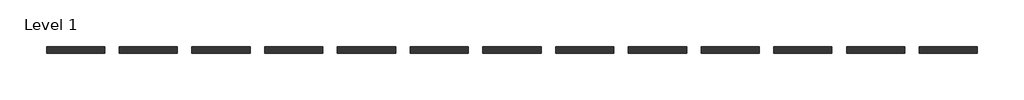
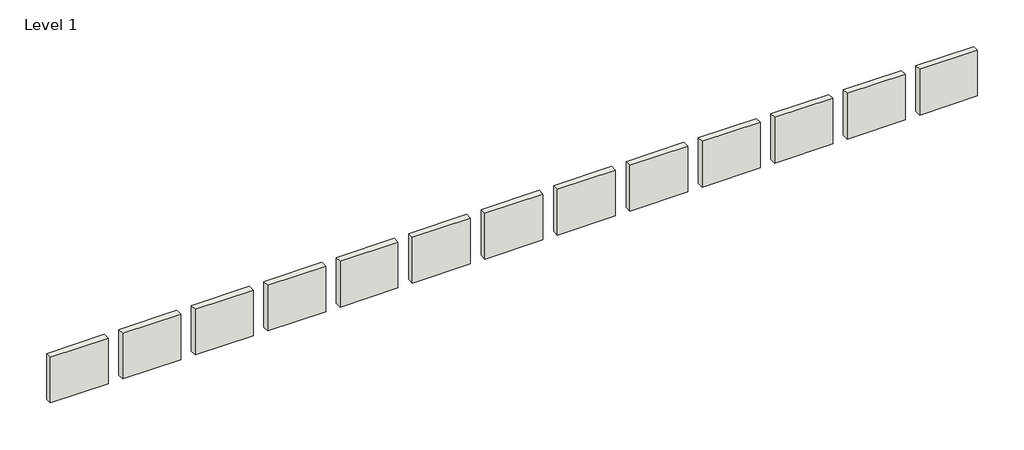
# One storey: 13 walls.
"""IFC4 building model written with IfcOpenShell, lengths in millimetres."""

from ifc_helpers import new_model, si_unit, origin, origin_with_axes, place, context, project, spatial, polyline, outline, extrude, element, save

model = new_model("IFC4")

# Units and contexts
model_context = context("Model", 3, world=origin())
ifc_project = project(units=[si_unit("LENGTHUNIT", "METRE", prefix="MILLI")], contexts=[model_context])

# Site, building, storey
site = spatial("IfcSite", under=ifc_project)
building = spatial("IfcBuilding", under=site)
storey = spatial("IfcBuildingStorey", under=building, Name="Level 1", Elevation=0.0)

# Walls
placement = place(None, origin())
element("IfcWall", 1, ObjectType="Wall 1", at=placement, inside=storey, context=model_context, shape_type="SweptSolid", body=[
    extrude(outline(polyline([(28525.2273003, 1708.9397371), (26696.4273003, 1708.9397371), (26696.4273003, 1912.1397371), (28525.2273003, 1912.1397371), (28525.2273003, 1708.9397371)])), origin_with_axes(), (0.0, 0.0, 1.0), 1524.0),
])
element("IfcWall", 2, ObjectType="Wall 1", at=placement, inside=storey, context=model_context, shape_type="SweptSolid", body=[
    extrude(outline(polyline([(35383.2273003, 1708.9397371), (33554.4273003, 1708.9397371), (33554.4273003, 1912.1397371), (35383.2273003, 1912.1397371), (35383.2273003, 1708.9397371)])), origin_with_axes(), (0.0, 0.0, 1.0), 1524.0),
])
element("IfcWall", 3, ObjectType="Wall 1", at=placement, inside=storey, context=model_context, shape_type="SweptSolid", body=[
    extrude(outline(polyline([(12523.2273003, 1708.9397371), (10694.4273003, 1708.9397371), (10694.4273003, 1912.1397371), (12523.2273003, 1912.1397371), (12523.2273003, 1708.9397371)])), origin_with_axes(), (0.0, 0.0, 1.0), 1524.0),
])
element("IfcWall", 4, ObjectType="Wall 10", at=placement, inside=storey, context=model_context, shape_type="SweptSolid", body=[
    extrude(outline(polyline([(37669.2273003, 1708.9397371), (35840.4273003, 1708.9397371), (35840.4273003, 1912.1397371), (37669.2273003, 1912.1397371), (37669.2273003, 1708.9397371)])), origin_with_axes(), (0.0, 0.0, 1.0), 1524.0),
])
element("IfcWall", 5, ObjectType="Wall 11", at=placement, inside=storey, context=model_context, shape_type="SweptSolid", body=[
    extrude(outline(polyline([(39955.2273003, 1708.9397371), (38126.4273003, 1708.9397371), (38126.4273003, 1912.1397371), (39955.2273003, 1912.1397371), (39955.2273003, 1708.9397371)])), origin_with_axes(), (0.0, 0.0, 1.0), 1524.0),
])
element("IfcWall", 6, ObjectType="Wall 2", at=placement, inside=storey, context=model_context, shape_type="SweptSolid", body=[
    extrude(outline(polyline([(14809.2273003, 1708.9397371), (12980.4273003, 1708.9397371), (12980.4273003, 1912.1397371), (14809.2273003, 1912.1397371), (14809.2273003, 1708.9397371)])), origin_with_axes(), (0.0, 0.0, 1.0), 1524.0),
])
element("IfcWall", 7, ObjectType="Wall 3", at=placement, inside=storey, context=model_context, shape_type="SweptSolid", body=[
    extrude(outline(polyline([(17095.2273003, 1708.9397371), (15266.4273003, 1708.9397371), (15266.4273003, 1912.1397371), (17095.2273003, 1912.1397371), (17095.2273003, 1708.9397371)])), origin_with_axes(), (0.0, 0.0, 1.0), 1524.0),
])
element("IfcWall", 8, ObjectType="Wall 4", at=placement, inside=storey, context=model_context, shape_type="SweptSolid", body=[
    extrude(outline(polyline([(19381.2273003, 1708.9397371), (17552.4273003, 1708.9397371), (17552.4273003, 1912.1397371), (19381.2273003, 1912.1397371), (19381.2273003, 1708.9397371)])), origin_with_axes(), (0.0, 0.0, 1.0), 1524.0),
])
element("IfcWall", 9, ObjectType="Wall 5", at=placement, inside=storey, context=model_context, shape_type="SweptSolid", body=[
    extrude(outline(polyline([(21667.2273003, 1708.9397371), (19838.4273003, 1708.9397371), (19838.4273003, 1912.1397371), (21667.2273003, 1912.1397371), (21667.2273003, 1708.9397371)])), origin_with_axes(), (0.0, 0.0, 1.0), 1524.0),
])
element("IfcWall", 10, ObjectType="Wall 6", at=placement, inside=storey, context=model_context, shape_type="SweptSolid", body=[
    extrude(outline(polyline([(23953.2273003, 1708.9397371), (22124.4273003, 1708.9397371), (22124.4273003, 1912.1397371), (23953.2273003, 1912.1397371), (23953.2273003, 1708.9397371)])), origin_with_axes(), (0.0, 0.0, 1.0), 1524.0),
])
element("IfcWall", 11, ObjectType="Wall 7", at=placement, inside=storey, context=model_context, shape_type="SweptSolid", body=[
    extrude(outline(polyline([(26239.2273003, 1708.9397371), (24410.4273003, 1708.9397371), (24410.4273003, 1912.1397371), (26239.2273003, 1912.1397371), (26239.2273003, 1708.9397371)])), origin_with_axes(), (0.0, 0.0, 1.0), 1524.0),
])
element("IfcWall", 12, ObjectType="Wall 8", at=placement, inside=storey, context=model_context, shape_type="SweptSolid", body=[
    extrude(outline(polyline([(30811.2273003, 1708.9397371), (28982.4273003, 1708.9397371), (28982.4273003, 1912.1397371), (30811.2273003, 1912.1397371), (30811.2273003, 1708.9397371)])), origin_with_axes(), (0.0, 0.0, 1.0), 1524.0),
])
element("IfcWall", 13, ObjectType="Wall 9", at=placement, inside=storey, context=model_context, shape_type="SweptSolid", body=[
    extrude(outline(polyline([(33097.2273003, 1708.9397371), (31268.4273003, 1708.9397371), (31268.4273003, 1912.1397371), (33097.2273003, 1912.1397371), (33097.2273003, 1708.9397371)])), origin_with_axes(), (0.0, 0.0, 1.0), 1524.0),
])

save(model, "model.ifc")
